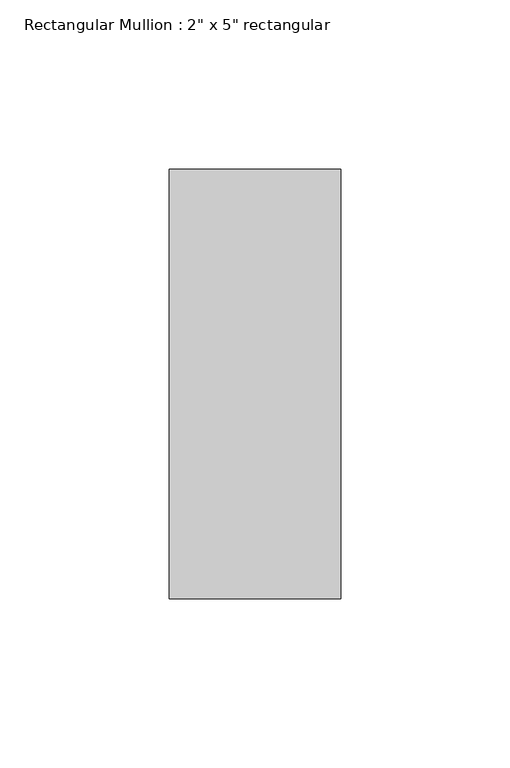
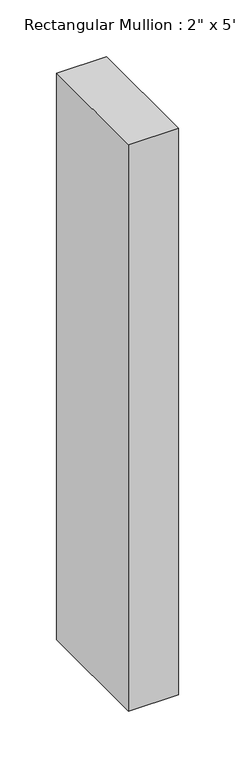
"""IFC4 building model written with IfcOpenShell, lengths in millimetres: member geometry."""

from ifc_helpers import new_model, si_unit, frame, origin, place, context, project, spatial, polyline, outline, extrude, source, transform, mapped, element, save


def member_13bb3043(model_context):
    return source(origin(), model_context, "Body", "SweptSolid", [
        extrude(outline(polyline([(25.4, 63.5), (25.4, -63.5), (-25.4, -63.5), (-25.4, 63.5), (25.4, 63.5)])), frame((0.0, 0.0, -609.6), z_axis=(0.0, 0.0, 1.0), x_axis=(1.0, 0.0, 0.0)), (0.0, 0.0, 1.0), 609.6),
    ])


if __name__ == "__main__":
    model = new_model("IFC4")
    model_context = context("Model", 3, world=origin())
    ifc_project = project(units=[si_unit("LENGTHUNIT", "METRE", prefix="MILLI")], contexts=[model_context])
    site = spatial("IfcSite", under=ifc_project)
    building = spatial("IfcBuilding", under=site)
    placement = place(None, origin())
    member_shape = member_13bb3043(model_context)
    element("IfcMember", 1, ObjectType="Rectangular Mullion : 2\" x 5\" rectangular", at=placement, inside=building, context=model_context, shape_type="MappedRepresentation", body=[
        mapped(member_shape, transform((0.0, 0.0, 0.0), x_axis=(1.0, 0.0, 0.0), y_axis=(0.0, 1.0, 0.0), z_axis=(0.0, 0.0, 1.0))),
    ])
    save(model, "model.ifc")
